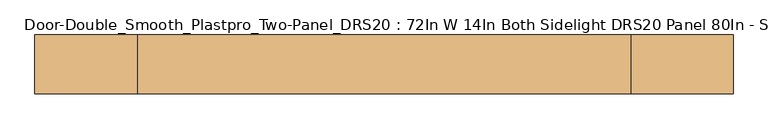
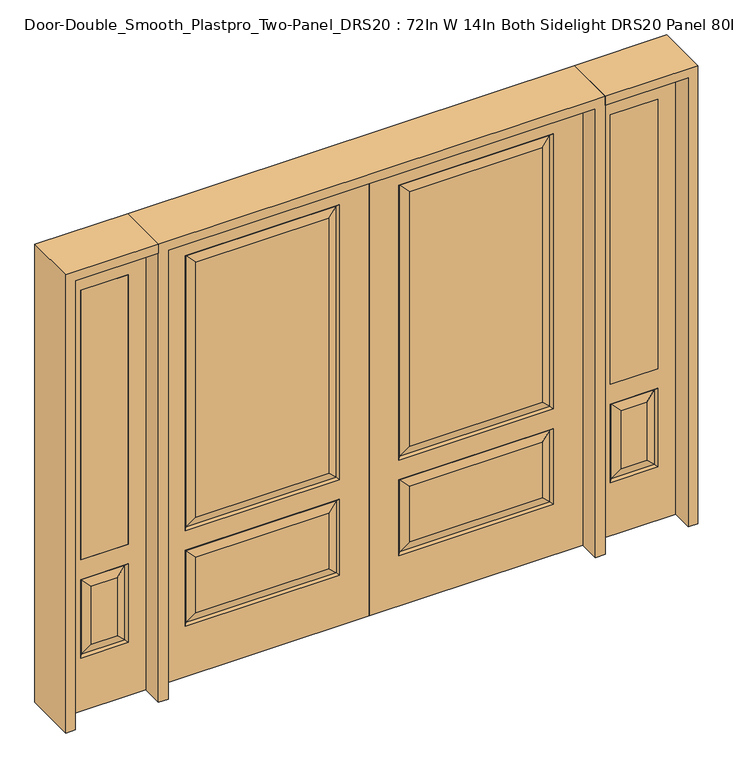
"""IFC4 building model written with IfcOpenShell, lengths in millimetres: door geometry, Door-Double_Smooth_Plastpro_Two-Panel_DRS20 : 72In W 14In Both Sidelight DRS20 Panel 80In - Smooth."""

from ifc_helpers import new_model, si_unit, frame, origin, place, context, project, spatial, polyline, outline, extrude, faceted_brep, source, transform, mapped, element, save


def door_double_smooth_plastpro_two_panel_drs20_72in_w_14in_both_b0c5ab56(model_context):
    return source(origin(), model_context, "Body", "SolidModel", [
        faceted_brep([(-914.4, 20.6375, 2032.0), (-914.4, -20.6375, 2032.0), (0.0, -20.6375, 2032.0), (0.0, 20.6375, 2032.0), (-914.4, -20.6375, 0.0), (0.0, -20.6375, 0.0), (-787.4, -20.6375, 228.6), (-787.4, -20.6375, 571.5), (-127.0, -20.6375, 571.5), (-127.0, -20.6375, 228.6), (-787.4, -20.6375, 660.4), (-787.4, -20.6375, 1905.0), (-127.0, -20.6375, 1905.0), (-127.0, -20.6375, 660.4), (-173.0375, -20.6375, 706.4375), (-173.0375, -20.6375, 1858.9625), (-741.3625, -20.6375, 1858.9625), (-741.3625, -20.6375, 706.4375), (-173.0375, -20.6375, 274.6375), (-173.0375, -20.6375, 525.4625), (-741.3625, -20.6375, 525.4625), (-741.3625, -20.6375, 274.6375), (-778.4197439, 11.6572439, 562.5197439), (-787.4, 20.6375, 571.5), (-127.0, 20.6375, 571.5), (-135.9802561, 11.6572439, 562.5197439), (-127.0, 20.6375, 228.6), (-135.9802561, 11.6572439, 237.5802561), (-787.4, 20.6375, 228.6), (-778.4197439, 11.6572439, 237.5802561), (-778.4197439, -11.6572439, 669.3802561), (-135.9802561, -11.6572439, 669.3802561), (-135.9802561, -11.6572439, 1896.0197439), (-778.4197439, -11.6572439, 1896.0197439), (-778.4197439, -11.6572439, 237.5802561), (-135.9802561, -11.6572439, 237.5802561), (-778.4197439, -11.6572439, 562.5197439), (-135.9802561, -11.6572439, 562.5197439), (-914.4, 20.6375, 0.0), (0.0, 20.6375, 0.0), (-173.0375, 20.6375, 525.4625), (-173.0375, 20.6375, 274.6375), (-741.3625, 20.6375, 274.6375), (-741.3625, 20.6375, 525.4625), (-787.4, 20.6375, 1905.0), (-787.4, 20.6375, 660.4), (-127.0, 20.6375, 660.4), (-127.0, 20.6375, 1905.0), (-173.0375, 20.6375, 1858.9625), (-173.0375, 20.6375, 706.4375), (-741.3625, 20.6375, 706.4375), (-741.3625, 20.6375, 1858.9625), (-135.9802561, 11.6572439, 669.3802561), (-135.9802561, 11.6572439, 1896.0197439), (-778.4197439, 11.6572439, 669.3802561), (-778.4197439, 11.6572439, 1896.0197439)], [[[0, 1, 2, 3]], [[1, 4, 5, 2], [6, 7, 8, 9], [10, 11, 12, 13]], [[14, 15, 16, 17]], [[18, 19, 20, 21]], [[22, 23, 24, 25]], [[24, 26, 27, 25]], [[26, 28, 29, 27]], [[22, 29, 28, 23]], [[30, 10, 13, 31]], [[13, 12, 32, 31]], [[30, 33, 11, 10]], [[31, 14, 17, 30]], [[31, 32, 15, 14]], [[34, 6, 9, 35]], [[34, 36, 7, 6]], [[37, 36, 20, 19]], [[35, 37, 19, 18]], [[38, 39, 5, 4]], [[0, 38, 4, 1]], [[2, 5, 39, 3]], [[40, 41, 42, 43]], [[3, 39, 38, 0], [23, 28, 26, 24], [44, 45, 46, 47]], [[48, 49, 50, 51]], [[47, 46, 52, 53]], [[46, 45, 54, 52]], [[55, 54, 45, 44]], [[51, 50, 54, 55]], [[52, 54, 50, 49]], [[53, 52, 49, 48]], [[25, 40, 43, 22]], [[43, 42, 29, 22]], [[27, 29, 42, 41]], [[25, 27, 41, 40]], [[17, 16, 33, 30]], [[9, 8, 37, 35]], [[8, 7, 36, 37]], [[35, 18, 21, 34]], [[21, 20, 36, 34]], [[12, 11, 33, 32]], [[32, 33, 16, 15]], [[55, 44, 47, 53]], [[53, 48, 51, 55]]]),
        faceted_brep([(914.4, 20.6375, 2032.0), (0.0, 20.6375, 2032.0), (0.0, -20.6375, 2032.0), (914.4, -20.6375, 2032.0), (173.0375, -20.6375, 706.4375), (741.3625, -20.6375, 706.4375), (741.3625, -20.6375, 1858.9625), (173.0375, -20.6375, 1858.9625), (173.0375, -20.6375, 274.6375), (741.3625, -20.6375, 274.6375), (741.3625, -20.6375, 525.4625), (173.0375, -20.6375, 525.4625), (0.0, -20.6375, 0.0), (914.4, -20.6375, 0.0), (787.4, -20.6375, 660.4), (127.0, -20.6375, 660.4), (127.0, -20.6375, 1905.0), (787.4, -20.6375, 1905.0), (787.4, -20.6375, 228.6), (127.0, -20.6375, 228.6), (127.0, -20.6375, 571.5), (787.4, -20.6375, 571.5), (778.4197439, 11.6572439, 562.5197439), (135.9802561, 11.6572439, 562.5197439), (127.0, 20.6375, 571.5), (787.4, 20.6375, 571.5), (135.9802561, 11.6572439, 237.5802561), (127.0, 20.6375, 228.6), (778.4197439, 11.6572439, 237.5802561), (787.4, 20.6375, 228.6), (778.4197439, -11.6572439, 669.3802561), (135.9802561, -11.6572439, 669.3802561), (135.9802561, -11.6572439, 1896.0197439), (778.4197439, -11.6572439, 1896.0197439), (778.4197439, -11.6572439, 237.5802561), (135.9802561, -11.6572439, 237.5802561), (778.4197439, -11.6572439, 562.5197439), (135.9802561, -11.6572439, 562.5197439), (914.4, 20.6375, 0.0), (0.0, 20.6375, 0.0), (173.0375, 20.6375, 525.4625), (741.3625, 20.6375, 525.4625), (741.3625, 20.6375, 274.6375), (173.0375, 20.6375, 274.6375), (173.0375, 20.6375, 1858.9625), (741.3625, 20.6375, 1858.9625), (741.3625, 20.6375, 706.4375), (173.0375, 20.6375, 706.4375), (787.4, 20.6375, 1905.0), (127.0, 20.6375, 1905.0), (127.0, 20.6375, 660.4), (787.4, 20.6375, 660.4), (135.9802561, 11.6572439, 1896.0197439), (135.9802561, 11.6572439, 669.3802561), (778.4197439, 11.6572439, 669.3802561), (778.4197439, 11.6572439, 1896.0197439)], [[[0, 1, 2, 3]], [[4, 5, 6, 7]], [[8, 9, 10, 11]], [[3, 2, 12, 13], [14, 15, 16, 17], [18, 19, 20, 21]], [[22, 23, 24, 25]], [[24, 23, 26, 27]], [[27, 26, 28, 29]], [[22, 25, 29, 28]], [[30, 31, 15, 14]], [[15, 31, 32, 16]], [[30, 14, 17, 33]], [[31, 30, 5, 4]], [[31, 4, 7, 32]], [[34, 35, 19, 18]], [[34, 18, 21, 36]], [[37, 11, 10, 36]], [[35, 8, 11, 37]], [[38, 13, 12, 39]], [[0, 3, 13, 38]], [[2, 1, 39, 12]], [[40, 41, 42, 43]], [[44, 45, 46, 47]], [[1, 0, 38, 39], [48, 49, 50, 51], [25, 24, 27, 29]], [[49, 52, 53, 50]], [[50, 53, 54, 51]], [[55, 48, 51, 54]], [[45, 55, 54, 46]], [[53, 47, 46, 54]], [[52, 44, 47, 53]], [[23, 22, 41, 40]], [[41, 22, 28, 42]], [[26, 43, 42, 28]], [[23, 40, 43, 26]], [[5, 30, 33, 6]], [[19, 35, 37, 20]], [[20, 37, 36, 21]], [[35, 34, 9, 8]], [[9, 34, 36, 10]], [[16, 32, 33, 17]], [[32, 7, 6, 33]], [[55, 52, 49, 48]], [[52, 55, 45, 44]]]),
        extrude(outline(polyline([(1031.875, -20.6375), (1031.875, 20.6375), (1235.075, 20.6375), (1235.075, -20.6375), (1031.875, -20.6375)])), frame((0.0, 0.0, 685.8), z_axis=(0.0, 0.0, 1.0), x_axis=(1.0, 0.0, 0.0)), (0.0, 0.0, 1.0), 1219.2),
        faceted_brep([(1311.275, -20.6375, 0.0), (1311.275, -20.6375, 2032.0), (955.675, -20.6375, 2032.0), (955.675, -20.6375, 0.0), (1031.875, -20.6375, 685.8), (1031.875, -20.6375, 1905.0), (1235.075, -20.6375, 1905.0), (1235.075, -20.6375, 685.8), (1031.875, -20.6375, 241.3), (1031.875, -20.6375, 596.9), (1235.075, -20.6375, 596.9), (1235.075, -20.6375, 241.3), (1189.0375, -20.6375, 287.3375), (1189.0375, -20.6375, 550.8625), (1077.9125, -20.6375, 550.8625), (1077.9125, -20.6375, 287.3375), (955.675, 20.6375, 0.0), (1311.275, 20.6375, 0.0), (955.675, 20.6375, 2032.0), (1311.275, 20.6375, 2032.0), (1040.8552561, -11.6572439, 250.2802561), (1226.0947439, -11.6572439, 250.2802561), (1226.0947439, -11.6572439, 587.9197439), (1040.8552561, -11.6572439, 587.9197439), (1235.075, 20.6375, 685.8), (1031.875, 20.6375, 685.8), (1235.075, 20.6375, 1905.0), (1031.875, 20.6375, 1905.0), (1235.075, 20.6375, 241.3), (1235.075, 20.6375, 596.9), (1031.875, 20.6375, 596.9), (1031.875, 20.6375, 241.3), (1077.9125, 20.6375, 287.3375), (1077.9125, 20.6375, 550.8625), (1189.0375, 20.6375, 550.8625), (1189.0375, 20.6375, 287.3375), (1040.8552561, 11.6572439, 250.2802561), (1226.0947439, 11.6572439, 250.2802561), (1040.8552561, 11.6572439, 587.9197439), (1226.0947439, 11.6572439, 587.9197439)], [[[0, 1, 2, 3], [4, 5, 6, 7], [8, 9, 10, 11]], [[12, 13, 14, 15]], [[3, 16, 17, 0]], [[2, 18, 16, 3]], [[0, 17, 19, 1]], [[20, 8, 11, 21]], [[11, 10, 22, 21]], [[10, 9, 23, 22]], [[20, 23, 9, 8]], [[21, 12, 15, 20]], [[15, 14, 23, 20]], [[22, 23, 14, 13]], [[21, 22, 13, 12]], [[4, 7, 24, 25]], [[7, 6, 26, 24]], [[25, 27, 5, 4]], [[17, 16, 18, 19], [24, 26, 27, 25], [28, 29, 30, 31]], [[32, 33, 34, 35]], [[28, 31, 36, 37]], [[31, 30, 38, 36]], [[39, 38, 30, 29]], [[37, 39, 29, 28]], [[36, 32, 35, 37]], [[35, 34, 39, 37]], [[34, 33, 38, 39]], [[36, 38, 33, 32]], [[1, 19, 18, 2]], [[27, 26, 6, 5]]]),
        extrude(outline(polyline([(-1031.875, -20.6375), (-1235.075, -20.6375), (-1235.075, 20.6375), (-1031.875, 20.6375), (-1031.875, -20.6375)])), frame((0.0, 0.0, 685.8), z_axis=(0.0, 0.0, 1.0), x_axis=(1.0, 0.0, 0.0)), (0.0, 0.0, 1.0), 1219.2),
        faceted_brep([(-1311.275, -20.6375, 0.0), (-955.675, -20.6375, 0.0), (-955.675, -20.6375, 2032.0), (-1311.275, -20.6375, 2032.0), (-1031.875, -20.6375, 685.8), (-1235.075, -20.6375, 685.8), (-1235.075, -20.6375, 1905.0), (-1031.875, -20.6375, 1905.0), (-1031.875, -20.6375, 241.3), (-1235.075, -20.6375, 241.3), (-1235.075, -20.6375, 596.9), (-1031.875, -20.6375, 596.9), (-1189.0375, -20.6375, 287.3375), (-1077.9125, -20.6375, 287.3375), (-1077.9125, -20.6375, 550.8625), (-1189.0375, -20.6375, 550.8625), (-1311.275, 20.6375, 0.0), (-955.675, 20.6375, 0.0), (-955.675, 20.6375, 2032.0), (-1311.275, 20.6375, 2032.0), (-1040.8552561, -11.6572439, 250.2802561), (-1226.0947439, -11.6572439, 250.2802561), (-1226.0947439, -11.6572439, 587.9197439), (-1040.8552561, -11.6572439, 587.9197439), (-1031.875, 20.6375, 685.8), (-1235.075, 20.6375, 685.8), (-1235.075, 20.6375, 1905.0), (-1031.875, 20.6375, 1905.0), (-1235.075, 20.6375, 241.3), (-1031.875, 20.6375, 241.3), (-1031.875, 20.6375, 596.9), (-1235.075, 20.6375, 596.9), (-1077.9125, 20.6375, 287.3375), (-1189.0375, 20.6375, 287.3375), (-1189.0375, 20.6375, 550.8625), (-1077.9125, 20.6375, 550.8625), (-1226.0947439, 11.6572439, 250.2802561), (-1040.8552561, 11.6572439, 250.2802561), (-1040.8552561, 11.6572439, 587.9197439), (-1226.0947439, 11.6572439, 587.9197439)], [[[0, 1, 2, 3], [4, 5, 6, 7], [8, 9, 10, 11]], [[12, 13, 14, 15]], [[1, 0, 16, 17]], [[2, 1, 17, 18]], [[0, 3, 19, 16]], [[20, 21, 9, 8]], [[9, 21, 22, 10]], [[10, 22, 23, 11]], [[20, 8, 11, 23]], [[21, 20, 13, 12]], [[13, 20, 23, 14]], [[22, 15, 14, 23]], [[21, 12, 15, 22]], [[4, 24, 25, 5]], [[5, 25, 26, 6]], [[24, 4, 7, 27]], [[16, 19, 18, 17], [25, 24, 27, 26], [28, 29, 30, 31]], [[32, 33, 34, 35]], [[28, 36, 37, 29]], [[29, 37, 38, 30]], [[39, 31, 30, 38]], [[36, 28, 31, 39]], [[37, 36, 33, 32]], [[33, 36, 39, 34]], [[34, 39, 38, 35]], [[37, 32, 35, 38]], [[3, 2, 18, 19]], [[27, 7, 6, 26]]]),
        extrude(outline(polyline([(2032.0, -955.675), (2073.275, -955.675), (2073.275, -1352.55), (0.0, -1352.55), (0.0, -1311.275), (2032.0, -1311.275), (2032.0, -955.675)])), frame((0.0, -114.3, 0.0), z_axis=(0.0, 1.0, 0.0), x_axis=(0.0, 0.0, 1.0)), (0.0, 0.0, 1.0), 228.6),
        extrude(outline(polyline([(2073.275, -955.675), (0.0, -955.675), (0.0, -914.4), (2032.0, -914.4), (2032.0, 914.4), (0.0, 914.4), (0.0, 955.675), (2073.275, 955.675), (2073.275, -955.675)])), frame((0.0, -114.3, 0.0), z_axis=(0.0, 1.0, 0.0), x_axis=(0.0, 0.0, 1.0)), (0.0, 0.0, 1.0), 228.6),
        extrude(outline(polyline([(0.0, 1311.275), (0.0, 1352.55), (2073.275, 1352.55), (2073.275, 955.675), (2032.0, 955.675), (2032.0, 1311.275), (0.0, 1311.275)])), frame((0.0, -114.3, 0.0), z_axis=(0.0, 1.0, 0.0), x_axis=(0.0, 0.0, 1.0)), (0.0, 0.0, 1.0), 228.6),
    ])


if __name__ == "__main__":
    model = new_model("IFC4")
    model_context = context("Model", 3, world=origin())
    ifc_project = project(units=[si_unit("LENGTHUNIT", "METRE", prefix="MILLI")], contexts=[model_context])
    site = spatial("IfcSite", under=ifc_project)
    building = spatial("IfcBuilding", under=site)
    placement = place(None, origin())
    door_double_smooth_plastpro_two_panel_drs20_72in_w_14in_both_shape = door_double_smooth_plastpro_two_panel_drs20_72in_w_14in_both_b0c5ab56(model_context)
    element("IfcDoor", 1, ObjectType="Door-Double_Smooth_Plastpro_Two-Panel_DRS20 : 72In W 14In Both Sidelight DRS20 Panel 80In - Smooth", at=placement, inside=building, context=model_context, shape_type="MappedRepresentation", body=[
        mapped(door_double_smooth_plastpro_two_panel_drs20_72in_w_14in_both_shape, transform((0.0, 0.0, 0.0), x_axis=(1.0, 0.0, 0.0), y_axis=(0.0, 1.0, 0.0), z_axis=(0.0, 0.0, 1.0))),
    ])
    save(model, "model.ifc")
